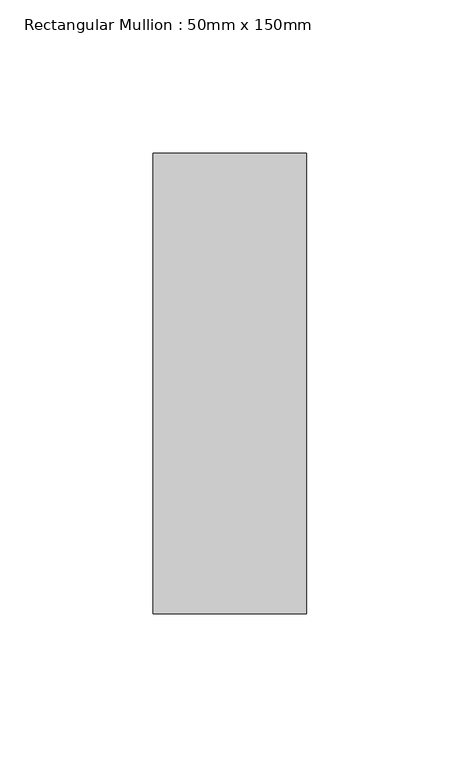
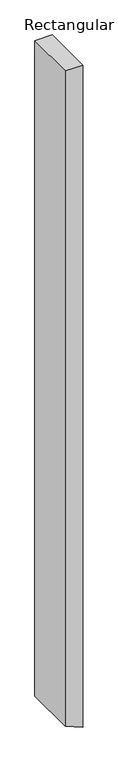
"""IFC4 building model written with IfcOpenShell, lengths in millimetres: member geometry, Rectangular Mullion : 50mm x 150mm."""

from ifc_helpers import new_model, si_unit, frame, origin, place, context, project, spatial, polyline, outline, extrude, source, transform, mapped, element, save


def rectangular_mullion_50mm_x_150mm_194fd7ed(model_context):
    return source(origin(), model_context, "Body", "SweptSolid", [
        extrude(outline(polyline([(0.0, 0.0), (0.0, -50.0), (-1980.2943725, -50.0), (-2001.0050506, 0.0), (0.0, 0.0)])), frame((0.0, -75.0, 0.0), z_axis=(0.0, 1.0, 0.0), x_axis=(0.0, 0.0, 1.0)), (0.0, 0.0, 1.0), 150.0),
    ])


if __name__ == "__main__":
    model = new_model("IFC4")
    model_context = context("Model", 3, world=origin())
    ifc_project = project(units=[si_unit("LENGTHUNIT", "METRE", prefix="MILLI")], contexts=[model_context])
    site = spatial("IfcSite", under=ifc_project)
    building = spatial("IfcBuilding", under=site)
    placement = place(None, origin())
    rectangular_mullion_50mm_x_150mm_shape = rectangular_mullion_50mm_x_150mm_194fd7ed(model_context)
    element("IfcMember", 1, ObjectType="Rectangular Mullion : 50mm x 150mm", at=placement, inside=building, context=model_context, shape_type="MappedRepresentation", body=[
        mapped(rectangular_mullion_50mm_x_150mm_shape, transform((0.0, 0.0, 0.0), x_axis=(1.0, 0.0, 0.0), y_axis=(0.0, 1.0, 0.0), z_axis=(0.0, 0.0, 1.0))),
    ])
    save(model, "model.ifc")
